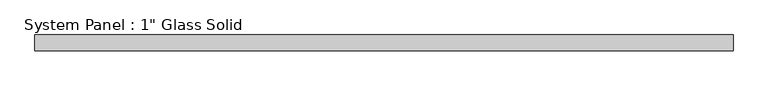
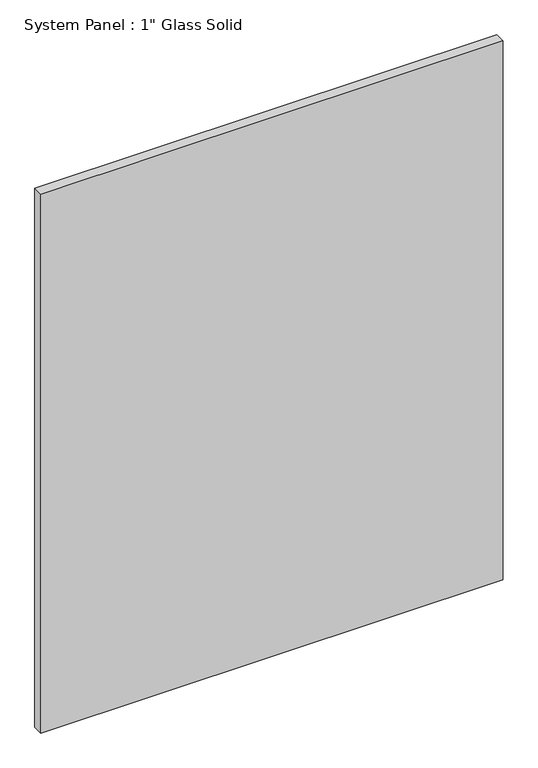
"""IFC4 building model written with IfcOpenShell, lengths in millimetres: plate geometry."""

from ifc_helpers import new_model, si_unit, origin, origin_with_axes, place, context, project, spatial, polyline, outline, extrude, source, transform, mapped, element, save


def plate_0d692014(model_context):
    return source(origin(), model_context, "Body", "SweptSolid", [
        extrude(outline(polyline([(562.5555865, -12.7), (-562.5555865, -12.7), (-562.5555865, 12.7), (562.5555865, 12.7), (562.5555865, -12.7)])), origin_with_axes(), (0.0, 0.0, 1.0), 1386.6366382),
    ])


if __name__ == "__main__":
    model = new_model("IFC4")
    model_context = context("Model", 3, world=origin())
    ifc_project = project(units=[si_unit("LENGTHUNIT", "METRE", prefix="MILLI")], contexts=[model_context])
    site = spatial("IfcSite", under=ifc_project)
    building = spatial("IfcBuilding", under=site)
    placement = place(None, origin())
    plate_shape = plate_0d692014(model_context)
    element("IfcPlate", 1, ObjectType="System Panel : 1\" Glass Solid", at=placement, inside=building, context=model_context, shape_type="MappedRepresentation", body=[
        mapped(plate_shape, transform((0.0, 0.0, 0.0), x_axis=(1.0, 0.0, 0.0), y_axis=(0.0, 1.0, 0.0), z_axis=(0.0, 0.0, 1.0))),
    ])
    save(model, "model.ifc")
